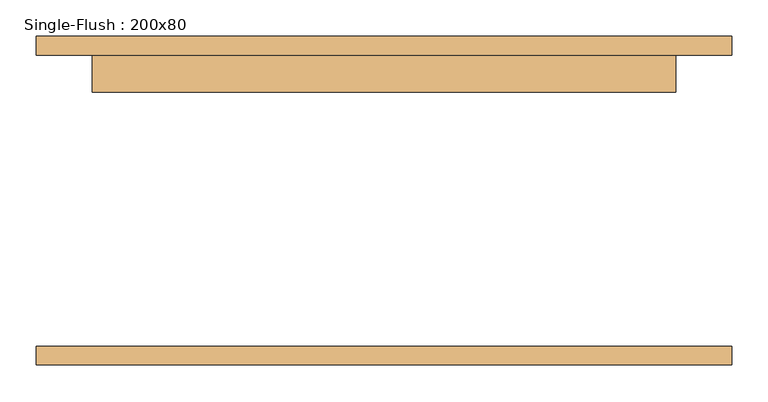
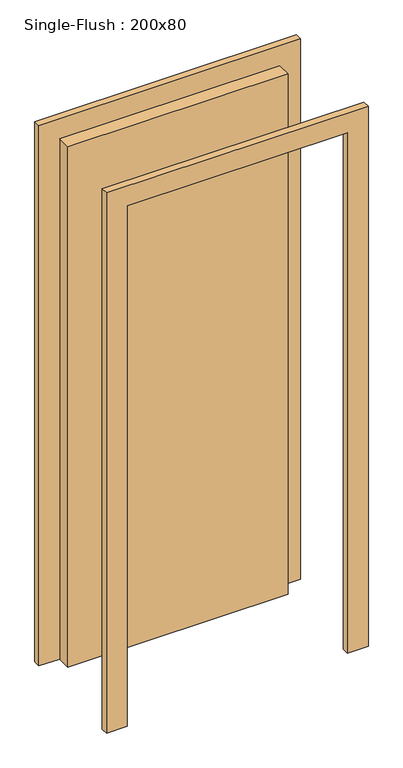
"""IFC4 building model written with IfcOpenShell, lengths in millimetres: door geometry, Single-Flush : 200x80."""

import ifcopenshell
import ifcopenshell.guid

model = None  # the IFC model being written
_history = None  # IfcOwnerHistory: only IFC2X3 demands one
_inside = {}  # id of a spatial element -> (the spatial element, [elements in it])
_under = {}  # id of a project, library or spatial element -> (it, [spatial elements below it])
_declared = {}  # id of a project -> (the project, [libraries it declares])
_typed = {}  # id of a type object -> (the type object, [elements of that type])
_made_of = {}  # id of a material, layer set ... -> (it, [elements and type objects made of it])


def new_model(schema):
    """Start an empty IFC model of exactly this schema.

    Asked for "IFC4X3", IfcOpenShell would pick the latest addendum, in which some entities
    have other attributes; the version numbers below select the first issue.
    IFC2X3 requires an IfcOwnerHistory on every rooted entity: one is made here for all.
    """
    global model, _history
    if schema == "IFC4X3":
        model = ifcopenshell.file(schema_version=(4, 3, 0, 0))
    else:
        model = ifcopenshell.file(schema=schema)
    _inside.clear()
    _under.clear()
    _declared.clear()
    _typed.clear()
    _made_of.clear()
    _history = None
    if model.schema == "IFC2X3":
        org = make("IfcOrganization", Name="unknown")
        user = make(
            "IfcPersonAndOrganization",
            ThePerson=make("IfcPerson", FamilyName="unknown"),
            TheOrganization=org,
        )
        app = make(
            "IfcApplication",
            ApplicationDeveloper=org,
            Version="unknown",
            ApplicationFullName="unknown",
            ApplicationIdentifier="unknown",
        )
        _history = make(
            "IfcOwnerHistory",
            OwningUser=user,
            OwningApplication=app,
            ChangeAction="ADDED",
            CreationDate=0,
        )
    return model


def make(cls, **values):
    """One entity of the class cls with the attributes given. An attribute that is None is left unset."""
    return model.create_entity(
        cls, **{name: value for name, value in values.items() if value is not None}
    )


def rooted(cls, **values):
    """An entity with a GlobalId (a new one), such as an element, a storey or a relation."""
    return make(cls, GlobalId=ifcopenshell.guid.new(), OwnerHistory=_history, **values)


def si_unit(unit_type, name, prefix=None):
    """IfcSIUnit, for example si_unit("LENGTHUNIT", "METRE", prefix="MILLI")."""
    return make("IfcSIUnit", UnitType=unit_type, Prefix=prefix, Name=name)


def assignment(units):
    """IfcUnitAssignment: the units of a project."""
    return None if units is None else make("IfcUnitAssignment", Units=units)


def point(xyz):
    """IfcCartesianPoint."""
    return None if xyz is None else make("IfcCartesianPoint", Coordinates=xyz)


def direction(xyz):
    """IfcDirection."""
    return None if xyz is None else make("IfcDirection", DirectionRatios=xyz)


def frame(location, z_axis=None, x_axis=None):
    """IfcAxis2Placement3D, a coordinate frame: its origin and axes. An axis left out is left unset."""
    return make(
        "IfcAxis2Placement3D",
        Location=point(location),
        Axis=direction(z_axis),
        RefDirection=direction(x_axis),
    )


def origin():
    """The frame at (0, 0, 0) with its axes left unset."""
    return frame((0.0, 0.0, 0.0))


def origin_with_axes():
    """The frame at (0, 0, 0) with the z axis (0, 0, 1) and the x axis (1, 0, 0) written out."""
    return frame((0.0, 0.0, 0.0), z_axis=(0.0, 0.0, 1.0), x_axis=(1.0, 0.0, 0.0))


def place(relative_to, where):
    """IfcLocalPlacement: puts the frame where relative to a parent placement (None: the world)."""
    return make(
        "IfcLocalPlacement", PlacementRelTo=relative_to, RelativePlacement=where
    )


def context(
    kind, dimensions, precision=None, world=None, true_north=None, identifier=None
):
    """IfcGeometricRepresentationContext, for example the 3D "Model" context."""
    return make(
        "IfcGeometricRepresentationContext",
        ContextIdentifier=identifier,
        ContextType=kind,
        CoordinateSpaceDimension=dimensions,
        Precision=precision,
        WorldCoordinateSystem=world,
        TrueNorth=true_north,
    )


def project(units=None, contexts=None):
    """IfcProject with its units and contexts."""
    return rooted(
        "IfcProject",
        Name="project",
        RepresentationContexts=contexts,
        UnitsInContext=assignment(units),
    )


def spatial(cls, under=None, at=None, **own):
    """A site, building, storey or space (cls), placed at a placement, below another one or the project."""
    s = rooted(cls, ObjectPlacement=at, **own)
    if under is not None:
        _under.setdefault(under.id(), (under, []))[1].append(s)
    return s


def polyline(points):
    """IfcPolyline through the points."""
    return make("IfcPolyline", Points=[point(p) for p in points])


def outline(outer, holes=None, kind="AREA"):
    """IfcArbitraryClosedProfileDef: a profile drawn as a closed curve; with holes, ...WithVoids."""
    if holes is None:
        return make("IfcArbitraryClosedProfileDef", ProfileType=kind, OuterCurve=outer)
    return make(
        "IfcArbitraryProfileDefWithVoids",
        ProfileType=kind,
        OuterCurve=outer,
        InnerCurves=holes,
    )


def extrude(swept, where, along, depth):
    """IfcExtrudedAreaSolid: the profile swept, set in the frame where, extruded along a direction by depth."""
    return make(
        "IfcExtrudedAreaSolid",
        SweptArea=swept,
        Position=where,
        ExtrudedDirection=direction(along),
        Depth=depth,
    )


def shape(context_of_items, identifier, shape_type, items):
    """IfcShapeRepresentation: the items that make up one representation, for example the "Body"."""
    return make(
        "IfcShapeRepresentation",
        ContextOfItems=context_of_items,
        RepresentationIdentifier=identifier,
        RepresentationType=shape_type,
        Items=items,
    )


def source(mapping_origin, context_of_items, identifier, shape_type, items):
    """IfcRepresentationMap: a shape defined once, which mapped items show again and again."""
    return make(
        "IfcRepresentationMap",
        MappingOrigin=mapping_origin,
        MappedRepresentation=shape(context_of_items, identifier, shape_type, items),
    )


def transform(
    local_origin,
    x_axis=None,
    y_axis=None,
    z_axis=None,
    scale=None,
    scale2=None,
    scale3=None,
    uniform=True,
):
    """IfcCartesianTransformationOperator3D, or its non-uniform kind. x_axis, y_axis, z_axis: its Axis1, 2, 3."""
    if uniform:
        return make(
            "IfcCartesianTransformationOperator3D",
            Axis1=direction(x_axis),
            Axis2=direction(y_axis),
            LocalOrigin=point(local_origin),
            Scale=scale,
            Axis3=direction(z_axis),
        )
    return make(
        "IfcCartesianTransformationOperator3DnonUniform",
        Axis1=direction(x_axis),
        Axis2=direction(y_axis),
        LocalOrigin=point(local_origin),
        Scale=scale,
        Axis3=direction(z_axis),
        Scale2=scale2,
        Scale3=scale3,
    )


def mapped(mapping_source, mapping_target):
    """IfcMappedItem: shows the shape of a source again, moved by a transform."""
    return make(
        "IfcMappedItem", MappingSource=mapping_source, MappingTarget=mapping_target
    )


def made_of(thing, what):
    """Note that an element or type object is made of a material, layer set ...; save() writes the relation."""
    if what is not None:
        _made_of.setdefault(what.id(), (what, []))[1].append(thing)
    return thing


def element(
    cls,
    number,
    at=None,
    inside=None,
    cuts=None,
    type_object=None,
    material=None,
    context=None,
    identifier="Body",
    shape_type=None,
    held_by="IfcProductDefinitionShape",
    body=None,
    shapes=None,
    **own,
):
    """One element of the class cls, such as IfcWall. Its Tag is "e" and its number.

    at: its placement. inside: the storey or other place that contains it. cuts: it is an
    opening in that element (IfcRelVoidsElement). A single representation is given by context,
    identifier, shape_type and body (its items); several are given by shapes. held_by: the class
    of the entity that holds the representations. save() writes the other relations.
    """
    e = rooted(cls, Tag="e%d" % number, ObjectPlacement=at, **own)
    if body is not None:
        shapes = [shape(context, identifier, shape_type, body)]
    if shapes is not None:
        e.Representation = make(held_by, Representations=shapes)
    if inside is not None:
        _inside.setdefault(inside.id(), (inside, []))[1].append(e)
    if cuts is not None:
        rooted(
            "IfcRelVoidsElement", RelatingBuildingElement=cuts, RelatedOpeningElement=e
        )
    if type_object is not None:
        _typed.setdefault(type_object.id(), (type_object, []))[1].append(e)
    return made_of(e, material)


def aggregate(whole, parts):
    """IfcRelAggregates: a whole, such as a stair, and the parts it consists of."""
    return rooted("IfcRelAggregates", RelatingObject=whole, RelatedObjects=parts)


def save(model, path):
    """Write the relations noted so far, then the file.

    IfcRelAggregates (storeys below a building ...), IfcRelContainedInSpatialStructure (elements
    in a storey), IfcRelDefinesByType, IfcRelAssociatesMaterial and IfcRelDeclares: one each for
    every whole, place, type object, material and project.
    """
    for whole, parts in _under.values():
        aggregate(whole, parts)
    for where, things in _inside.values():
        rooted(
            "IfcRelContainedInSpatialStructure",
            RelatedElements=things,
            RelatingStructure=where,
        )
    for kind, things in _typed.values():
        rooted("IfcRelDefinesByType", RelatedObjects=things, RelatingType=kind)
    for what, things in _made_of.values():
        rooted("IfcRelAssociatesMaterial", RelatedObjects=things, RelatingMaterial=what)
    for by, libraries in _declared.values():
        rooted("IfcRelDeclares", RelatingContext=by, RelatedDefinitions=libraries)
    model.write(path)


def single_flush_200x80_692fd464(model_context):
    return source(origin(), model_context, "Body", "SweptSolid", [
        extrude(outline(polyline([(2076.2, -476.2), (0.0, -476.2), (0.0, -400.0), (2000.0, -400.0), (2000.0, 400.0), (0.0, 400.0), (0.0, 476.2), (2076.2, 476.2), (2076.2, -476.2)])), frame((0.0, 200.0, 0.0), z_axis=(0.0, 1.0, 0.0), x_axis=(0.0, 0.0, 1.0)), (0.0, 0.0, 1.0), 25.4),
        extrude(outline(polyline([(2076.2, 476.2), (2076.2, -476.2), (0.0, -476.2), (0.0, -400.0), (2000.0, -400.0), (2000.0, 400.0), (0.0, 400.0), (0.0, 476.2), (2076.2, 476.2)])), frame((0.0, -225.4, 0.0), z_axis=(0.0, 1.0, 0.0), x_axis=(0.0, 0.0, 1.0)), (0.0, 0.0, 1.0), 25.4),
        extrude(outline(polyline([(400.0, 149.2), (-400.0, 149.2), (-400.0, 200.0), (400.0, 200.0), (400.0, 149.2)])), origin_with_axes(), (0.0, 0.0, 1.0), 2000.0),
    ])


if __name__ == "__main__":
    model = new_model("IFC4")
    model_context = context("Model", 3, world=origin())
    ifc_project = project(units=[si_unit("LENGTHUNIT", "METRE", prefix="MILLI")], contexts=[model_context])
    site = spatial("IfcSite", under=ifc_project)
    building = spatial("IfcBuilding", under=site)
    placement = place(None, origin())
    single_flush_200x80_shape = single_flush_200x80_692fd464(model_context)
    element("IfcDoor", 1, ObjectType="Single-Flush : 200x80", at=placement, inside=building, context=model_context, shape_type="MappedRepresentation", body=[
        mapped(single_flush_200x80_shape, transform((0.0, 0.0, 0.0), x_axis=(1.0, 0.0, 0.0), y_axis=(0.0, 1.0, 0.0), z_axis=(0.0, 0.0, 1.0))),
    ])
    save(model, "model.ifc")
